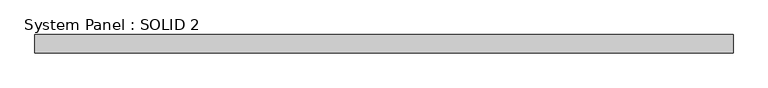
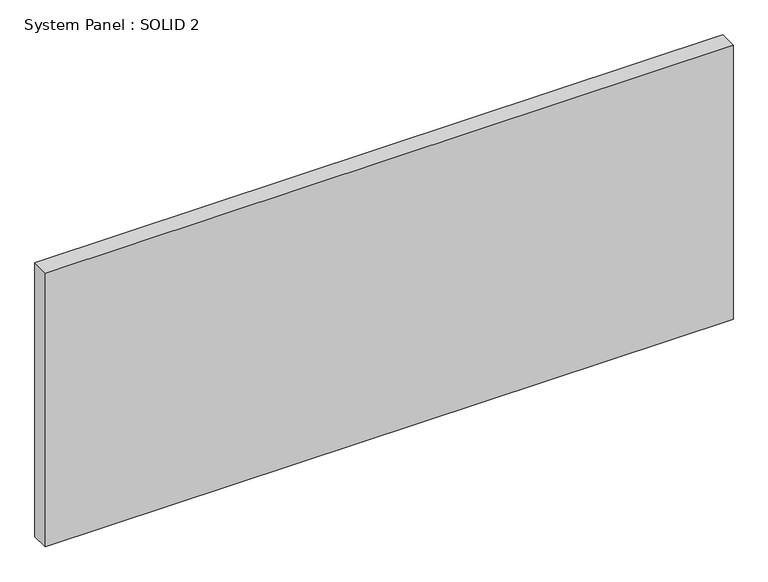
"""IFC4 building model written with IfcOpenShell, lengths in millimetres: plate geometry, System Panel : SOLID 2."""

from ifc_helpers import new_model, si_unit, origin, origin_with_axes, place, context, project, spatial, polyline, outline, extrude, source, transform, mapped, element, save


def system_panel_solid_2_7eea4f98(model_context):
    return source(origin(), model_context, "Body", "SweptSolid", [
        extrude(outline(polyline([(1507.5, 80.0), (-1507.5, 80.0), (-1507.5, 160.0), (1507.5, 160.0), (1507.5, 80.0)])), origin_with_axes(), (0.0, 0.0, 1.0), 1269.6666667),
    ])


if __name__ == "__main__":
    model = new_model("IFC4")
    model_context = context("Model", 3, world=origin())
    ifc_project = project(units=[si_unit("LENGTHUNIT", "METRE", prefix="MILLI")], contexts=[model_context])
    site = spatial("IfcSite", under=ifc_project)
    building = spatial("IfcBuilding", under=site)
    placement = place(None, origin())
    system_panel_solid_2_shape = system_panel_solid_2_7eea4f98(model_context)
    element("IfcPlate", 1, ObjectType="System Panel : SOLID 2", at=placement, inside=building, context=model_context, shape_type="MappedRepresentation", body=[
        mapped(system_panel_solid_2_shape, transform((0.0, 0.0, 0.0), x_axis=(1.0, 0.0, 0.0), y_axis=(0.0, 1.0, 0.0), z_axis=(0.0, 0.0, 1.0))),
    ])
    save(model, "model.ifc")
